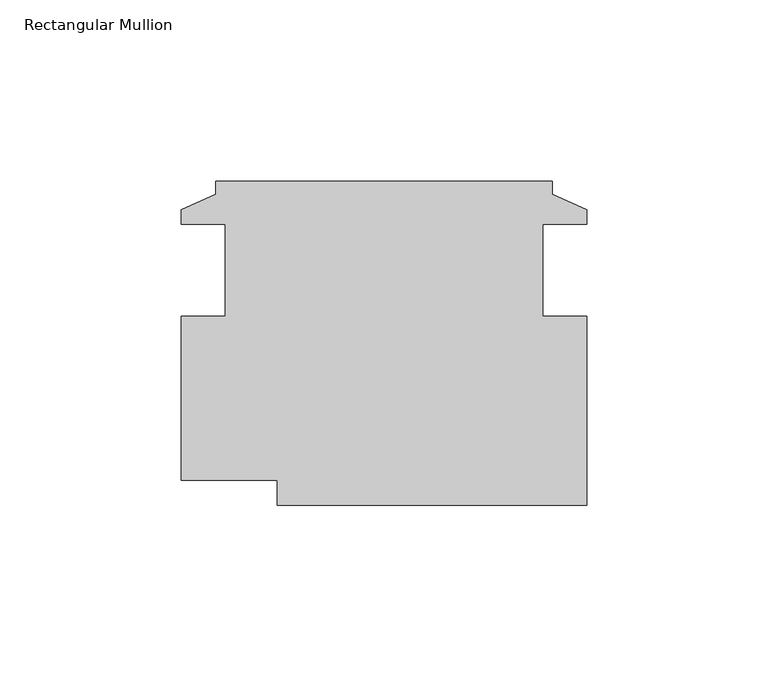
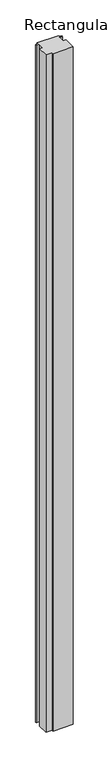
"""IFC4 building model written with IfcOpenShell, lengths in millimetres: member geometry, Rectangular Mullion."""

from ifc_helpers import new_model, si_unit, frame, origin, place, context, project, spatial, polyline, outline, extrude, source, transform, mapped, element, save


def rectangular_mullion_360b7683(model_context):
    return source(origin(), model_context, "Body", "SweptSolid", [
        extrude(outline(polyline([(-9.525, 47.5584251), (-9.525, 43.9516251), (0.0, 39.6336251), (0.0, 35.7220251), (-12.2174, 35.7220251), (-12.2174, 10.3220251), (0.0, 10.3220251), (0.0, -41.9003749), (-85.4176536, -41.9003749), (-85.4176536, -34.9915749), (-111.9124, -34.9915749), (-111.9124, 10.3220251), (-99.695, 10.3220251), (-99.695, 35.7220251), (-111.9124, 35.7220251), (-111.9124, 39.6336251), (-102.3874, 43.9516251), (-102.3874, 47.5584251), (-9.525, 47.5584251)])), frame((0.0, 0.0, -3048.0), z_axis=(0.0, 0.0, 1.0), x_axis=(1.0, 0.0, 0.0)), (0.0, 0.0, 1.0), 3048.0),
    ])


if __name__ == "__main__":
    model = new_model("IFC4")
    model_context = context("Model", 3, world=origin())
    ifc_project = project(units=[si_unit("LENGTHUNIT", "METRE", prefix="MILLI")], contexts=[model_context])
    site = spatial("IfcSite", under=ifc_project)
    building = spatial("IfcBuilding", under=site)
    placement = place(None, origin())
    rectangular_mullion_shape = rectangular_mullion_360b7683(model_context)
    element("IfcMember", 1, ObjectType="Rectangular Mullion", at=placement, inside=building, context=model_context, shape_type="MappedRepresentation", body=[
        mapped(rectangular_mullion_shape, transform((0.0, 0.0, 0.0), x_axis=(1.0, 0.0, 0.0), y_axis=(0.0, 1.0, 0.0), z_axis=(0.0, 0.0, 1.0))),
    ])
    save(model, "model.ifc")
